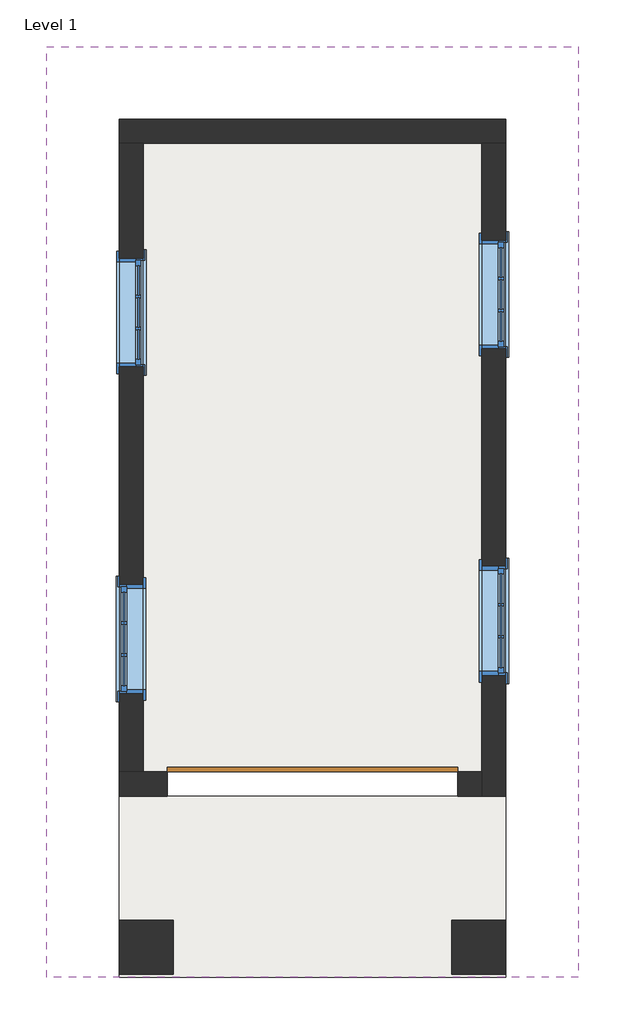
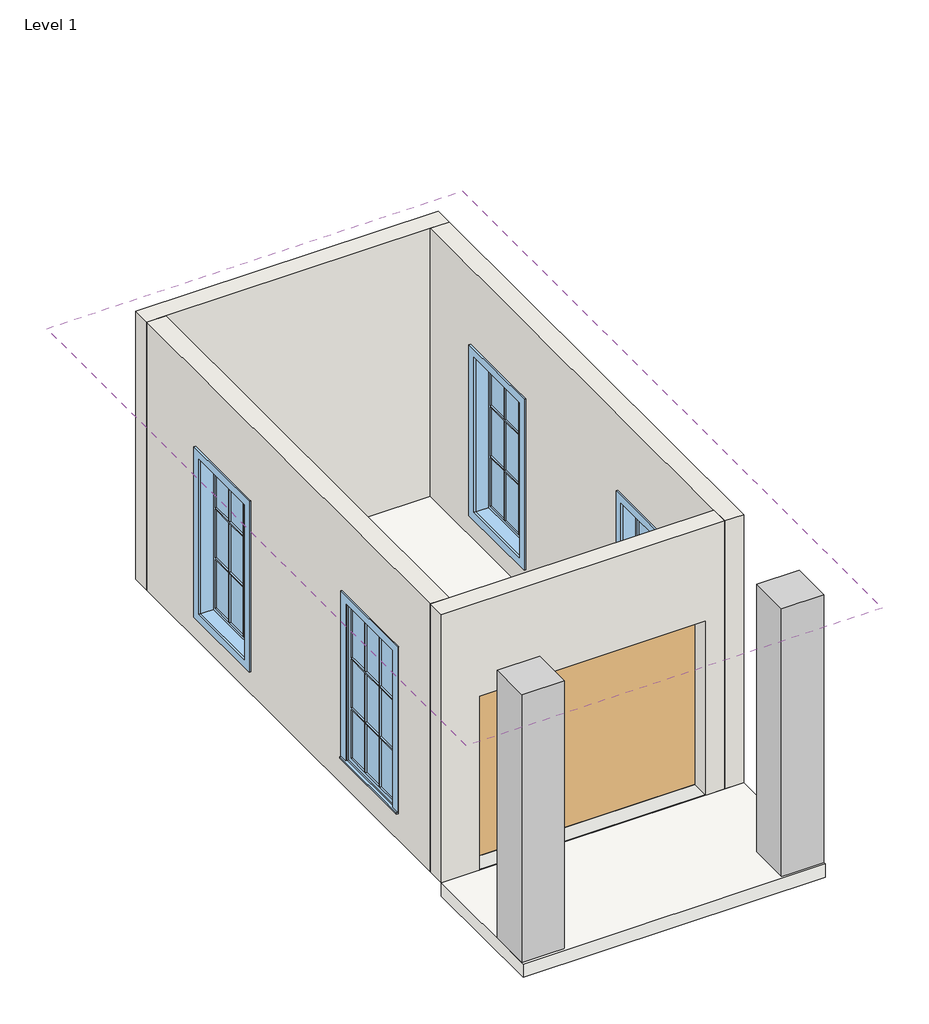
# One storey: 4 walls, 4 windows, 2 columns, 1 door, 1 roof, 1 slab.
"""IFC4 building model written with IfcOpenShell, lengths in millimetres."""

import ifcopenshell
import ifcopenshell.guid

model = None  # the IFC model being written
_history = None  # IfcOwnerHistory: only IFC2X3 demands one
_inside = {}  # id of a spatial element -> (the spatial element, [elements in it])
_under = {}  # id of a project, library or spatial element -> (it, [spatial elements below it])
_declared = {}  # id of a project -> (the project, [libraries it declares])
_typed = {}  # id of a type object -> (the type object, [elements of that type])
_made_of = {}  # id of a material, layer set ... -> (it, [elements and type objects made of it])


def new_model(schema):
    """Start an empty IFC model of exactly this schema.

    Asked for "IFC4X3", IfcOpenShell would pick the latest addendum, in which some entities
    have other attributes; the version numbers below select the first issue.
    IFC2X3 requires an IfcOwnerHistory on every rooted entity: one is made here for all.
    """
    global model, _history
    if schema == "IFC4X3":
        model = ifcopenshell.file(schema_version=(4, 3, 0, 0))
    else:
        model = ifcopenshell.file(schema=schema)
    _inside.clear()
    _under.clear()
    _declared.clear()
    _typed.clear()
    _made_of.clear()
    _history = None
    if model.schema == "IFC2X3":
        org = make("IfcOrganization", Name="unknown")
        user = make(
            "IfcPersonAndOrganization",
            ThePerson=make("IfcPerson", FamilyName="unknown"),
            TheOrganization=org,
        )
        app = make(
            "IfcApplication",
            ApplicationDeveloper=org,
            Version="unknown",
            ApplicationFullName="unknown",
            ApplicationIdentifier="unknown",
        )
        _history = make(
            "IfcOwnerHistory",
            OwningUser=user,
            OwningApplication=app,
            ChangeAction="ADDED",
            CreationDate=0,
        )
    return model


def make(cls, **values):
    """One entity of the class cls with the attributes given. An attribute that is None is left unset."""
    return model.create_entity(
        cls, **{name: value for name, value in values.items() if value is not None}
    )


def rooted(cls, **values):
    """An entity with a GlobalId (a new one), such as an element, a storey or a relation."""
    return make(cls, GlobalId=ifcopenshell.guid.new(), OwnerHistory=_history, **values)


def si_unit(unit_type, name, prefix=None):
    """IfcSIUnit, for example si_unit("LENGTHUNIT", "METRE", prefix="MILLI")."""
    return make("IfcSIUnit", UnitType=unit_type, Prefix=prefix, Name=name)


def assignment(units):
    """IfcUnitAssignment: the units of a project."""
    return None if units is None else make("IfcUnitAssignment", Units=units)


def point(xyz):
    """IfcCartesianPoint."""
    return None if xyz is None else make("IfcCartesianPoint", Coordinates=xyz)


def direction(xyz):
    """IfcDirection."""
    return None if xyz is None else make("IfcDirection", DirectionRatios=xyz)


def frame(location, z_axis=None, x_axis=None):
    """IfcAxis2Placement3D, a coordinate frame: its origin and axes. An axis left out is left unset."""
    return make(
        "IfcAxis2Placement3D",
        Location=point(location),
        Axis=direction(z_axis),
        RefDirection=direction(x_axis),
    )


def origin():
    """The frame at (0, 0, 0) with its axes left unset."""
    return frame((0.0, 0.0, 0.0))


def origin_with_axes():
    """The frame at (0, 0, 0) with the z axis (0, 0, 1) and the x axis (1, 0, 0) written out."""
    return frame((0.0, 0.0, 0.0), z_axis=(0.0, 0.0, 1.0), x_axis=(1.0, 0.0, 0.0))


def place(relative_to, where):
    """IfcLocalPlacement: puts the frame where relative to a parent placement (None: the world)."""
    return make(
        "IfcLocalPlacement", PlacementRelTo=relative_to, RelativePlacement=where
    )


def context(
    kind, dimensions, precision=None, world=None, true_north=None, identifier=None
):
    """IfcGeometricRepresentationContext, for example the 3D "Model" context."""
    return make(
        "IfcGeometricRepresentationContext",
        ContextIdentifier=identifier,
        ContextType=kind,
        CoordinateSpaceDimension=dimensions,
        Precision=precision,
        WorldCoordinateSystem=world,
        TrueNorth=true_north,
    )


def project(units=None, contexts=None):
    """IfcProject with its units and contexts."""
    return rooted(
        "IfcProject",
        Name="project",
        RepresentationContexts=contexts,
        UnitsInContext=assignment(units),
    )


def spatial(cls, under=None, at=None, **own):
    """A site, building, storey or space (cls), placed at a placement, below another one or the project."""
    s = rooted(cls, ObjectPlacement=at, **own)
    if under is not None:
        _under.setdefault(under.id(), (under, []))[1].append(s)
    return s


def polyline(points):
    """IfcPolyline through the points."""
    return make("IfcPolyline", Points=[point(p) for p in points])


def outline(outer, holes=None, kind="AREA"):
    """IfcArbitraryClosedProfileDef: a profile drawn as a closed curve; with holes, ...WithVoids."""
    if holes is None:
        return make("IfcArbitraryClosedProfileDef", ProfileType=kind, OuterCurve=outer)
    return make(
        "IfcArbitraryProfileDefWithVoids",
        ProfileType=kind,
        OuterCurve=outer,
        InnerCurves=holes,
    )


def extrude(swept, where, along, depth):
    """IfcExtrudedAreaSolid: the profile swept, set in the frame where, extruded along a direction by depth."""
    return make(
        "IfcExtrudedAreaSolid",
        SweptArea=swept,
        Position=where,
        ExtrudedDirection=direction(along),
        Depth=depth,
    )


def faces_of(points, faces, orient=None, outer=None):
    """IfcFace entities. A face is a list of loops; a loop is a list of indices into points, from 0.

    orient and outer hold one flag for each loop. By default every Orientation is true, the
    first loop of a face is its IfcFaceOuterBound and the others are IfcFaceBound.
    """
    made = []
    for i, loops in enumerate(faces):
        bounds = []
        for j, loop in enumerate(loops):
            is_outer = j == 0 if outer is None else outer[i][j]
            bounds.append(
                make(
                    "IfcFaceOuterBound" if is_outer else "IfcFaceBound",
                    Bound=make("IfcPolyLoop", Polygon=[points[k] for k in loop]),
                    Orientation=True if orient is None else orient[i][j],
                )
            )
        made.append(make("IfcFace", Bounds=bounds))
    return made


def faceted_brep(points, faces, orient=None, outer=None, voids=None):
    """IfcFacetedBrep: a solid bounded by flat faces; with voids (closed shells), ...WithVoids."""
    shared = [point(p) for p in points]
    hull = make("IfcClosedShell", CfsFaces=faces_of(shared, faces, orient, outer))
    if voids is None:
        return make("IfcFacetedBrep", Outer=hull)
    return make(
        "IfcFacetedBrepWithVoids",
        Outer=hull,
        Voids=[
            make(cls, CfsFaces=faces_of(shared, fs, o, b)) for cls, fs, o, b in voids
        ],
    )


def shape(context_of_items, identifier, shape_type, items):
    """IfcShapeRepresentation: the items that make up one representation, for example the "Body"."""
    return make(
        "IfcShapeRepresentation",
        ContextOfItems=context_of_items,
        RepresentationIdentifier=identifier,
        RepresentationType=shape_type,
        Items=items,
    )


def source(mapping_origin, context_of_items, identifier, shape_type, items):
    """IfcRepresentationMap: a shape defined once, which mapped items show again and again."""
    return make(
        "IfcRepresentationMap",
        MappingOrigin=mapping_origin,
        MappedRepresentation=shape(context_of_items, identifier, shape_type, items),
    )


def transform(
    local_origin,
    x_axis=None,
    y_axis=None,
    z_axis=None,
    scale=None,
    scale2=None,
    scale3=None,
    uniform=True,
):
    """IfcCartesianTransformationOperator3D, or its non-uniform kind. x_axis, y_axis, z_axis: its Axis1, 2, 3."""
    if uniform:
        return make(
            "IfcCartesianTransformationOperator3D",
            Axis1=direction(x_axis),
            Axis2=direction(y_axis),
            LocalOrigin=point(local_origin),
            Scale=scale,
            Axis3=direction(z_axis),
        )
    return make(
        "IfcCartesianTransformationOperator3DnonUniform",
        Axis1=direction(x_axis),
        Axis2=direction(y_axis),
        LocalOrigin=point(local_origin),
        Scale=scale,
        Axis3=direction(z_axis),
        Scale2=scale2,
        Scale3=scale3,
    )


def mapped(mapping_source, mapping_target):
    """IfcMappedItem: shows the shape of a source again, moved by a transform."""
    return make(
        "IfcMappedItem", MappingSource=mapping_source, MappingTarget=mapping_target
    )


def made_of(thing, what):
    """Note that an element or type object is made of a material, layer set ...; save() writes the relation."""
    if what is not None:
        _made_of.setdefault(what.id(), (what, []))[1].append(thing)
    return thing


def element(
    cls,
    number,
    at=None,
    inside=None,
    cuts=None,
    type_object=None,
    material=None,
    context=None,
    identifier="Body",
    shape_type=None,
    held_by="IfcProductDefinitionShape",
    body=None,
    shapes=None,
    **own,
):
    """One element of the class cls, such as IfcWall. Its Tag is "e" and its number.

    at: its placement. inside: the storey or other place that contains it. cuts: it is an
    opening in that element (IfcRelVoidsElement). A single representation is given by context,
    identifier, shape_type and body (its items); several are given by shapes. held_by: the class
    of the entity that holds the representations. save() writes the other relations.
    """
    e = rooted(cls, Tag="e%d" % number, ObjectPlacement=at, **own)
    if body is not None:
        shapes = [shape(context, identifier, shape_type, body)]
    if shapes is not None:
        e.Representation = make(held_by, Representations=shapes)
    if inside is not None:
        _inside.setdefault(inside.id(), (inside, []))[1].append(e)
    if cuts is not None:
        rooted(
            "IfcRelVoidsElement", RelatingBuildingElement=cuts, RelatedOpeningElement=e
        )
    if type_object is not None:
        _typed.setdefault(type_object.id(), (type_object, []))[1].append(e)
    return made_of(e, material)


def aggregate(whole, parts):
    """IfcRelAggregates: a whole, such as a stair, and the parts it consists of."""
    return rooted("IfcRelAggregates", RelatingObject=whole, RelatedObjects=parts)


def save(model, path):
    """Write the relations noted so far, then the file.

    IfcRelAggregates (storeys below a building ...), IfcRelContainedInSpatialStructure (elements
    in a storey), IfcRelDefinesByType, IfcRelAssociatesMaterial and IfcRelDeclares: one each for
    every whole, place, type object, material and project.
    """
    for whole, parts in _under.values():
        aggregate(whole, parts)
    for where, things in _inside.values():
        rooted(
            "IfcRelContainedInSpatialStructure",
            RelatedElements=things,
            RelatingStructure=where,
        )
    for kind, things in _typed.values():
        rooted("IfcRelDefinesByType", RelatedObjects=things, RelatingType=kind)
    for what, things in _made_of.values():
        rooted("IfcRelAssociatesMaterial", RelatedObjects=things, RelatingMaterial=what)
    for by, libraries in _declared.values():
        rooted("IfcRelDeclares", RelatingContext=by, RelatedDefinitions=libraries)
    model.write(path)


def door_be48eeb6(model_context):
    return source(origin(), model_context, "Body", "SweptSolid", [
        extrude(outline(polyline([(1219.2, -101.6), (1219.2, -139.7), (-1219.2, -139.7), (-1219.2, -101.6), (1219.2, -101.6)])), origin_with_axes(), (0.0, 0.0, 1.0), 1981.2),
    ])


def window_8b323df3(model_context):
    return source(origin(), model_context, "Body", "SweptSolid", [
        extrude(outline(polyline([(-527.05, 127.0), (527.05, 127.0), (527.05, 101.6), (-527.05, 101.6), (-527.05, 127.0)])), frame((0.0, 0.0, 304.8), z_axis=(0.0, 0.0, 1.0), x_axis=(1.0, 0.0, 0.0)), (0.0, 0.0, 1.0), 19.05),
        extrude(outline(polyline([(2114.55, -438.15), (2114.55, 438.15), (323.85, 438.15), (323.85, 527.05), (2203.45, 527.05), (2203.45, -527.05), (323.85, -527.05), (323.85, -438.15), (2114.55, -438.15)])), frame((0.0, 101.6, 0.0), z_axis=(0.0, 1.0, 0.0), x_axis=(0.0, 0.0, 1.0)), (0.0, 0.0, 1.0), 12.7),
        extrude(outline(polyline([(143.9333333, 66.675), (393.7, 66.675), (393.7, 53.975), (143.9333333, 53.975), (143.9333333, 66.675)])), frame((0.0, 0.0, 1515.5333333), z_axis=(0.0, 0.0, 1.0), x_axis=(1.0, 0.0, 0.0)), (0.0, 0.0, 1.0), 554.5666667),
        extrude(outline(polyline([(-124.8833333, 66.675), (124.8833333, 66.675), (124.8833333, 53.975), (-124.8833333, 53.975), (-124.8833333, 66.675)])), frame((0.0, 0.0, 1515.5333333), z_axis=(0.0, 0.0, 1.0), x_axis=(1.0, 0.0, 0.0)), (0.0, 0.0, 1.0), 554.5666667),
        extrude(outline(polyline([(-393.7, 66.675), (-143.9333333, 66.675), (-143.9333333, 53.975), (-393.7, 53.975), (-393.7, 66.675)])), frame((0.0, 0.0, 1515.5333333), z_axis=(0.0, 0.0, 1.0), x_axis=(1.0, 0.0, 0.0)), (0.0, 0.0, 1.0), 554.5666667),
        extrude(outline(polyline([(-393.7, 66.675), (-143.9333333, 66.675), (-143.9333333, 53.975), (-393.7, 53.975), (-393.7, 66.675)])), frame((0.0, 0.0, 941.9166667), z_axis=(0.0, 0.0, 1.0), x_axis=(1.0, 0.0, 0.0)), (0.0, 0.0, 1.0), 554.5666667),
        extrude(outline(polyline([(-124.8833333, 66.675), (124.8833333, 66.675), (124.8833333, 53.975), (-124.8833333, 53.975), (-124.8833333, 66.675)])), frame((0.0, 0.0, 941.9166667), z_axis=(0.0, 0.0, 1.0), x_axis=(1.0, 0.0, 0.0)), (0.0, 0.0, 1.0), 554.5666667),
        extrude(outline(polyline([(143.9333333, 66.675), (393.7, 66.675), (393.7, 53.975), (143.9333333, 53.975), (143.9333333, 66.675)])), frame((0.0, 0.0, 941.9166667), z_axis=(0.0, 0.0, 1.0), x_axis=(1.0, 0.0, 0.0)), (0.0, 0.0, 1.0), 554.5666667),
        extrude(outline(polyline([(143.9333333, 66.675), (393.7, 66.675), (393.7, 53.975), (143.9333333, 53.975), (143.9333333, 66.675)])), frame((0.0, 0.0, 368.3), z_axis=(0.0, 0.0, 1.0), x_axis=(1.0, 0.0, 0.0)), (0.0, 0.0, 1.0), 554.5666667),
        extrude(outline(polyline([(-124.8833333, 66.675), (124.8833333, 66.675), (124.8833333, 53.975), (-124.8833333, 53.975), (-124.8833333, 66.675)])), frame((0.0, 0.0, 368.3), z_axis=(0.0, 0.0, 1.0), x_axis=(1.0, 0.0, 0.0)), (0.0, 0.0, 1.0), 554.5666667),
        extrude(outline(polyline([(-393.7, 66.675), (-143.9333333, 66.675), (-143.9333333, 53.975), (-393.7, 53.975), (-393.7, 66.675)])), frame((0.0, 0.0, 368.3), z_axis=(0.0, 0.0, 1.0), x_axis=(1.0, 0.0, 0.0)), (0.0, 0.0, 1.0), 554.5666667),
        extrude(outline(polyline([(2190.75, 514.35), (2190.75, -514.35), (247.65, -514.35), (247.65, 514.35), (2190.75, 514.35)]), holes=[polyline([(2101.85, 425.45), (336.55, 425.45), (336.55, -425.45), (2101.85, -425.45), (2101.85, 425.45)])]), frame((0.0, -120.65, 0.0), z_axis=(0.0, 1.0, 0.0), x_axis=(0.0, 0.0, 1.0)), (0.0, 0.0, 1.0), 19.05),
        extrude(outline(polyline([(2114.55, -438.15), (323.85, -438.15), (323.85, 438.15), (2114.55, 438.15), (2114.55, -438.15)]), holes=[polyline([(2070.1, -143.9333333), (1515.5333333, -143.9333333), (1515.5333333, -393.7), (2070.1, -393.7), (2070.1, -143.9333333)]), polyline([(1496.4833333, -143.9333333), (941.9166667, -143.9333333), (941.9166667, -393.7), (1496.4833333, -393.7), (1496.4833333, -143.9333333)]), polyline([(922.8666667, -143.9333333), (368.3, -143.9333333), (368.3, -393.7), (922.8666667, -393.7), (922.8666667, -143.9333333)]), polyline([(2070.1, 124.8833333), (1515.5333333, 124.8833333), (1515.5333333, -124.8833333), (2070.1, -124.8833333), (2070.1, 124.8833333)]), polyline([(1496.4833333, 124.8833333), (941.9166667, 124.8833333), (941.9166667, -124.8833333), (1496.4833333, -124.8833333), (1496.4833333, 124.8833333)]), polyline([(922.8666667, 124.8833333), (368.3, 124.8833333), (368.3, -124.8833333), (922.8666667, -124.8833333), (922.8666667, 124.8833333)]), polyline([(2070.1, 393.7), (1515.5333333, 393.7), (1515.5333333, 143.9333333), (2070.1, 143.9333333), (2070.1, 393.7)]), polyline([(1496.4833333, 393.7), (941.9166667, 393.7), (941.9166667, 143.9333333), (1496.4833333, 143.9333333), (1496.4833333, 393.7)]), polyline([(922.8666667, 393.7), (368.3, 393.7), (368.3, 143.9333333), (922.8666667, 143.9333333), (922.8666667, 393.7)])]), frame((0.0, 38.1, 0.0), z_axis=(0.0, 1.0, 0.0), x_axis=(0.0, 0.0, 1.0)), (0.0, 0.0, 1.0), 44.45),
        extrude(outline(polyline([(2133.6, -457.2), (304.8, -457.2), (304.8, 457.2), (2133.6, 457.2), (2133.6, -457.2)]), holes=[polyline([(2101.85, -425.45), (2101.85, 425.45), (336.55, 425.45), (336.55, -425.45), (2101.85, -425.45)])]), frame((0.0, -101.6, 0.0), z_axis=(0.0, 1.0, 0.0), x_axis=(0.0, 0.0, 1.0)), (0.0, 0.0, 1.0), 139.7),
        extrude(outline(polyline([(2133.6, 457.2), (2133.6, -457.2), (304.8, -457.2), (304.8, 457.2), (2133.6, 457.2)]), holes=[polyline([(2114.55, 438.15), (323.85, 438.15), (323.85, -438.15), (2114.55, -438.15), (2114.55, 438.15)])]), frame((0.0, 38.1, 0.0), z_axis=(0.0, 1.0, 0.0), x_axis=(0.0, 0.0, 1.0)), (0.0, 0.0, 1.0), 63.5),
    ])


model = new_model("IFC4")

# Units and contexts
model_context = context("Model", 3, world=origin())
ifc_project = project(units=[si_unit("LENGTHUNIT", "METRE", prefix="MILLI")], contexts=[model_context])

# Site, building, storey
site = spatial("IfcSite", under=ifc_project)
building = spatial("IfcBuilding", under=site)
storey = spatial("IfcBuildingStorey", under=building, Name="Level 1", Elevation=0.0)

# Columns
placement = place(None, origin())
element("IfcColumn", 1, ObjectType="Rectangular Column : 18\" x 18\"", at=placement, inside=storey, context=model_context, shape_type="SweptSolid", body=[
    extrude(outline(polyline([(3570.7595517, 5860.0899136), (3570.7595517, 5402.8899136), (3113.5595517, 5402.8899136), (3113.5595517, 5860.0899136), (3570.7595517, 5860.0899136)])), origin_with_axes(), (0.0, 0.0, 1.0), 3048.0),
])
element("IfcColumn", 2, ObjectType="Rectangular Column : 18\" x 18\"", at=placement, inside=storey, context=model_context, shape_type="SweptSolid", body=[
    extrude(outline(polyline([(6364.7595517, 5860.0899136), (6364.7595517, 5402.8899136), (5907.5595517, 5402.8899136), (5907.5595517, 5860.0899136), (6364.7595517, 5860.0899136)])), origin_with_axes(), (0.0, 0.0, 1.0), 3048.0),
])

# Door
door_shape = door_be48eeb6(model_context)
element("IfcDoor", 3, ObjectType="Overhead-Sectional : 8' x 6'-6\"", at=placement, inside=storey, context=model_context, shape_type="MappedRepresentation", body=[
    mapped(door_shape, transform((4739.1595517, 7003.0899136, 0.0), x_axis=(-1.0, 0.0, 0.0), y_axis=(0.0, -1.0, 0.0), z_axis=(0.0, 0.0, 1.0))),
])

# Roof
element("IfcRoof", 4, ObjectType="Generic - 12\"", at=placement, inside=storey, context=model_context, shape_type="SweptSolid", body=[
    extrude(outline(polyline([(3048.0, 6974.3595517), (4338.4933217, 4739.1595517), (3048.0, 2503.9595517), (2696.0472759, 2503.9595517), (3986.5405976, 4739.1595517), (2696.0472759, 6974.3595517), (3048.0, 6974.3595517)])), frame((0.0, 5377.4899136, 0.0), z_axis=(0.0, 1.0, 0.0), x_axis=(0.0, 0.0, 1.0)), (0.0, 0.0, 1.0), 7823.2),
])

# Slab
element("IfcSlab", 5, ObjectType="Concrete Slab - 6\"", at=placement, inside=storey, context=model_context, shape_type="SweptSolid", body=[
    extrude(outline(polyline([(6161.5595517, 12387.8899136), (6161.5595517, 7104.6899136), (3316.7595517, 7104.6899136), (3316.7595517, 12387.8899136), (6161.5595517, 12387.8899136)])), frame((0.0, 0.0, -152.4), z_axis=(0.0, 0.0, 1.0), x_axis=(1.0, 0.0, 0.0)), (0.0, 0.0, 1.0), 152.4),
    extrude(outline(polyline([(3113.5595517, 5377.4899136), (3113.5595517, 6901.4899136), (6364.7595517, 6901.4899136), (6364.7595517, 5377.4899136), (3113.5595517, 5377.4899136)])), frame((0.0, 0.0, -152.4), z_axis=(0.0, 0.0, 1.0), x_axis=(1.0, 0.0, 0.0)), (0.0, 0.0, 1.0), 152.4),
])

# Walls
element("IfcWall", 6, ObjectType="Generic - 8\"", at=placement, inside=storey, context=model_context, shape_type="Brep", body=[
    faceted_brep([(3113.5595517, 12387.8899136, 0.0), (3316.7595517, 12387.8899136, 0.0), (6161.5595517, 12387.8899136, 0.0), (6364.7595517, 12387.8899136, 0.0), (6364.7595517, 12387.8899136, 3048.0), (6161.5595517, 12387.8899136, 3048.0), (3316.7595517, 12387.8899136, 3048.0), (3113.5595517, 12387.8899136, 3048.0), (3113.5595517, 12591.0899136, 0.0), (3113.5595517, 12591.0899136, 3048.0), (6364.7595517, 12591.0899136, 3048.0), (6364.7595517, 12591.0899136, 0.0)], [[[0, 1, 2, 3, 4, 5, 6, 7]], [[8, 9, 10, 11]], [[3, 2, 1, 0, 8, 11]], [[7, 6, 5, 4, 10, 9]], [[4, 3, 11, 10]], [[0, 7, 9, 8]]]),
])
element("IfcWall", 7, ObjectType="Generic - 8\"", at=placement, inside=storey, context=model_context, shape_type="Brep", body=[
    faceted_brep([(6161.5595517, 12387.8899136, 0.0), (6161.5595517, 7104.6899136, 0.0), (6161.5595517, 6901.4899136, 0.0), (6161.5595517, 6901.4899136, 3048.0), (6161.5595517, 7104.6899136, 3048.0), (6161.5595517, 12387.8899136, 3048.0), (6161.5595517, 10660.6899136, 2133.6), (6161.5595517, 10660.6899136, 304.8), (6161.5595517, 11575.0899136, 304.8), (6161.5595517, 11575.0899136, 2133.6), (6161.5595517, 7917.4899136, 2133.6), (6161.5595517, 7917.4899136, 304.8), (6161.5595517, 8831.8899136, 304.8), (6161.5595517, 8831.8899136, 2133.6), (6364.7595517, 12387.8899136, 0.0), (6364.7595517, 12387.8899136, 3048.0), (6364.7595517, 6901.4899136, 3048.0), (6364.7595517, 6901.4899136, 0.0), (6364.7595517, 10660.6899136, 2133.6), (6364.7595517, 11575.0899136, 2133.6), (6364.7595517, 11575.0899136, 304.8), (6364.7595517, 10660.6899136, 304.8), (6364.7595517, 7917.4899136, 2133.6), (6364.7595517, 8831.8899136, 2133.6), (6364.7595517, 8831.8899136, 304.8), (6364.7595517, 7917.4899136, 304.8)], [[[0, 1, 2, 3, 4, 5], [6, 7, 8, 9], [10, 11, 12, 13]], [[14, 15, 16, 17], [18, 19, 20, 21], [22, 23, 24, 25]], [[0, 5, 15, 14]], [[3, 2, 17, 16]], [[2, 1, 0, 14, 17]], [[5, 4, 3, 16, 15]], [[7, 6, 18, 21]], [[8, 7, 21, 20]], [[9, 8, 20, 19]], [[6, 9, 19, 18]], [[11, 10, 22, 25]], [[12, 11, 25, 24]], [[13, 12, 24, 23]], [[10, 13, 23, 22]]]),
])
element("IfcWall", 8, ObjectType="Generic - 8\"", at=placement, inside=storey, context=model_context, shape_type="Brep", body=[
    faceted_brep([(3113.5595517, 7104.6899136, 3048.0), (3316.7595517, 7104.6899136, 3048.0), (6161.5595517, 7104.6899136, 3048.0), (6161.5595517, 7104.6899136, 0.0), (5958.3595517, 7104.6899136, 0.0), (5958.3595517, 7104.6899136, 1981.2), (3519.9595517, 7104.6899136, 1981.2), (3519.9595517, 7104.6899136, 0.0), (3316.7595517, 7104.6899136, 0.0), (3113.5595517, 7104.6899136, 0.0), (6161.5595517, 6901.4899136, 3048.0), (3113.5595517, 6901.4899136, 3048.0), (3113.5595517, 6901.4899136, 0.0), (3519.9595517, 6901.4899136, 0.0), (3519.9595517, 6901.4899136, 1981.2), (5958.3595517, 6901.4899136, 1981.2), (5958.3595517, 6901.4899136, 0.0), (6161.5595517, 6901.4899136, 0.0)], [[[0, 1, 2, 3, 4, 5, 6, 7, 8, 9]], [[10, 11, 12, 13, 14, 15, 16, 17]], [[3, 17, 16, 4]], [[12, 9, 8, 7, 13]], [[2, 1, 0, 11, 10]], [[3, 2, 10, 17]], [[0, 9, 12, 11]], [[6, 14, 13, 7]], [[14, 6, 5, 15]], [[15, 5, 4, 16]]]),
])
element("IfcWall", 9, ObjectType="Generic - 8\"", at=placement, inside=storey, context=model_context, shape_type="SweptSolid", body=[
    extrude(outline(polyline([(7104.6899136, 0.0), (7104.6899136, 3048.0), (12387.8899136, 3048.0), (12387.8899136, 0.0), (7104.6899136, 0.0)]), holes=[polyline([(10508.2899136, 2133.6), (10508.2899136, 304.8), (11422.6899136, 304.8), (11422.6899136, 2133.6), (10508.2899136, 2133.6)]), polyline([(8679.4899136, 2133.6), (7765.0899136, 2133.6), (7765.0899136, 304.8), (8679.4899136, 304.8), (8679.4899136, 2133.6)])]), frame((3113.5595517, 0.0, 0.0), z_axis=(1.0, 0.0, 0.0), x_axis=(0.0, 1.0, 0.0)), (0.0, 0.0, 1.0), 203.2),
])

# Windows
window_shape = window_8b323df3(model_context)
element("IfcWindow", 10, ObjectType="Casement 3x3 with Trim : 36\" x 72\"", at=placement, inside=storey, context=model_context, shape_type="MappedRepresentation", body=[
    mapped(window_shape, transform((3215.1595517, 10965.4899136, 0.0), x_axis=(0.0, -1.0, 0.0), y_axis=(1.0, 0.0, 0.0), z_axis=(0.0, 0.0, 1.0))),
])
element("IfcWindow", 11, ObjectType="Casement 3x3 with Trim : 36\" x 72\"", at=placement, inside=storey, context=model_context, shape_type="MappedRepresentation", body=[
    mapped(window_shape, transform((3215.1595517, 8222.2899136, 0.0), x_axis=(0.0, 1.0, 0.0), y_axis=(-1.0, 0.0, 0.0), z_axis=(0.0, 0.0, 1.0))),
])
element("IfcWindow", 12, ObjectType="Casement 3x3 with Trim : 36\" x 72\"", at=placement, inside=storey, context=model_context, shape_type="MappedRepresentation", body=[
    mapped(window_shape, transform((6263.1595517, 11117.8899136, 0.0), x_axis=(0.0, -1.0, 0.0), y_axis=(1.0, 0.0, 0.0), z_axis=(0.0, 0.0, 1.0))),
])
element("IfcWindow", 13, ObjectType="Casement 3x3 with Trim : 36\" x 72\"", at=placement, inside=storey, context=model_context, shape_type="MappedRepresentation", body=[
    mapped(window_shape, transform((6263.1595517, 8374.6899136, 0.0), x_axis=(0.0, -1.0, 0.0), y_axis=(1.0, 0.0, 0.0), z_axis=(0.0, 0.0, 1.0))),
])

save(model, "model.ifc")
